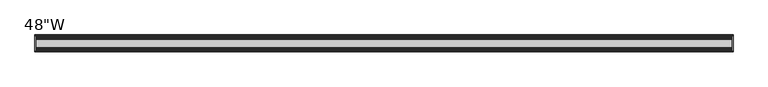
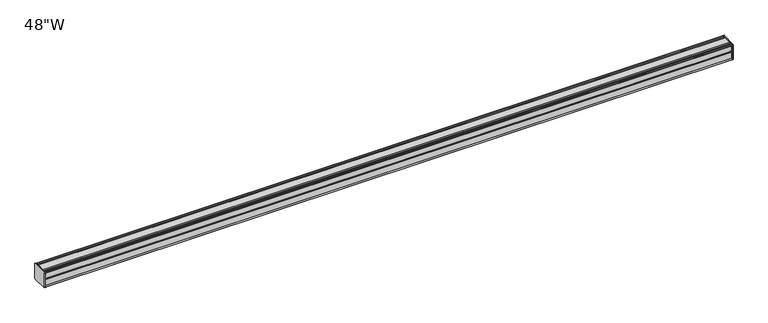
"""IFC4 building model written with IfcOpenShell, lengths in millimetres: furniture geometry."""

from ifc_helpers import new_model, si_unit, frame, origin, place, context, project, spatial, circle_curve, source, transform, mapped, element, save
from ifc_brep_helpers import plane_surface, cylinder_surface, advanced_brep


def furniture_a1786f17(model_context):
    return source(origin(), model_context, "Body", "AdvancedBrep", [
        advanced_brep(
        [(608.0125, 14.5851562, 1399.3436262), (608.0125, 14.5851562, 1373.1932877), (608.0125, 14.4138595, 1372.3873997), (608.0125, 13.8374434, 1371.8109837), (608.0125, 12.9019306, 1371.5603131), (608.0125, -13.4067434, 1371.5603131), (608.0125, -14.3040014, 1372.4575711), (608.0125, -14.5851563, 1373.2259798), (608.0125, -14.5851563, 1399.1443327), (608.0125, -14.3040014, 1399.9127414), (608.0125, -13.4464303, 1400.7703125), (608.0125, 13.0500437, 1400.7703125), (608.0125, 13.8374434, 1400.5593288), (608.0125, 14.4138595, 1399.9829128), (609.6, 14.6248431, 1399.1955131), (609.6, 14.4138595, 1399.9829128), (609.6, 13.8374434, 1400.5593288), (609.6, 13.0500437, 1400.7703125), (609.6, -13.4464303, 1400.7703125), (609.6, -14.3040014, 1399.9127414), (609.6, -14.5851563, 1399.1443327), (609.6, -14.5851563, 1373.2259798), (609.6, -14.3040014, 1372.4575711), (609.6, -13.4067434, 1371.5603131), (609.6, 12.9019306, 1371.5603131), (609.6, 13.8374434, 1371.8109837), (609.6, 14.4138595, 1372.3873997), (609.6, 14.5851562, 1373.1932877)],
        [
            (0, 1),
            (1, 2),
            (2, 3),
            (3, 4),
            (4, 5),
            (5, 6),
            (6, 7, circle_curve(frame((608.0125, -13.3945313, 1373.2259798), z_axis=(-1.0, 0.0, 0.0), x_axis=(0.0, 1.0, 0.0)), 1.190625)),
            (7, 8),
            (8, 9, circle_curve(frame((608.0125, -13.3945313, 1399.1443327), z_axis=(-1.0, 0.0, 0.0), x_axis=(0.0, 1.0, 0.0)), 1.190625)),
            (9, 10),
            (10, 11),
            (11, 12),
            (12, 13),
            (13, 0),
            (14, 15),
            (15, 16),
            (16, 17),
            (17, 18),
            (18, 19),
            (19, 20, circle_curve(frame((609.6, -13.3945313, 1399.1443327), z_axis=(1.0, 0.0, 0.0), x_axis=(0.0, 1.0, 0.0)), 1.190625)),
            (20, 21),
            (21, 22, circle_curve(frame((609.6, -13.3945313, 1373.2259798), z_axis=(1.0, 0.0, 0.0), x_axis=(0.0, 1.0, 0.0)), 1.190625)),
            (22, 23),
            (23, 24),
            (24, 25),
            (25, 26),
            (26, 27),
            (27, 14),
            (13, 15),
            (14, 0),
            (12, 16),
            (11, 17),
            (10, 18),
            (9, 19),
            (8, 20),
            (7, 21),
            (6, 22),
            (5, 23),
            (4, 24),
            (3, 25),
            (2, 26),
            (1, 27),
        ],
        [
            plane_surface(frame((608.0125, 14.5851562, 1373.1932877), z_axis=(-1.0, 0.0, 0.0), x_axis=(0.0, 0.0, -1.0))),
            plane_surface(frame((609.6, 14.5851562, 1373.1932877), z_axis=(1.0, 0.0, 0.0), x_axis=(0.0, 0.0, 1.0))),
            plane_surface(frame((608.0125, 14.4138595, 1399.9829128), z_axis=(0.0, 0.9659256560349851, 0.25881968049857335), x_axis=(1.0, 0.0, 0.0))),
            plane_surface(frame((608.0125, 13.8374434, 1400.5593288), z_axis=(0.0, 0.7071067811866345, 0.7071067811864606), x_axis=(1.0, 0.0, 0.0))),
            plane_surface(frame((608.0125, 13.0500437, 1400.7703125), z_axis=(0.0, 0.2588196804711877, 0.9659256560423232), x_axis=(1.0, 0.0, 0.0))),
            plane_surface(frame((608.0125, -13.4464303, 1400.7703125), z_axis=(0.0, 0.0, 1.0), x_axis=(1.0, 0.0, 0.0))),
            plane_surface(frame((608.0125, -14.3040014, 1399.9127414), z_axis=(0.0, -0.70710678117674, 0.7071067811963553), x_axis=(1.0, 0.0, 0.0))),
            cylinder_surface(frame((609.6, -13.3945313, 1399.1443327), z_axis=(-1.0, 0.0, 0.0), x_axis=(0.0, 1.0, 0.0)), 1.190625),
            plane_surface(frame((608.0125, -14.5851563, 1373.2259798), z_axis=(0.0, -1.0, 0.0), x_axis=(1.0, 0.0, 0.0))),
            cylinder_surface(frame((609.6, -13.3945313, 1373.2259798), z_axis=(-1.0, 0.0, 0.0), x_axis=(0.0, 1.0, 0.0)), 1.190625),
            plane_surface(frame((608.0125, -13.4067434, 1371.5603131), z_axis=(0.0, -0.7071067811916545, -0.7071067811814407), x_axis=(1.0, 0.0, 0.0))),
            plane_surface(frame((608.0125, 12.9019306, 1371.5603131), z_axis=(0.0, 0.0, -1.0), x_axis=(1.0, 0.0, 0.0))),
            plane_surface(frame((608.0125, 13.8374434, 1371.8109837), z_axis=(0.0, 0.2588196804985645, -0.9659256560349875), x_axis=(1.0, 0.0, 0.0))),
            plane_surface(frame((608.0125, 14.4138595, 1372.3873997), z_axis=(0.0, 0.7071067811865204, -0.7071067811865748), x_axis=(1.0, 0.0, 0.0))),
            plane_surface(frame((608.0125, 14.5851562, 1373.1932877), z_axis=(0.0, 0.9781476007310527, -0.207911690830711), x_axis=(1.0, 0.0, 0.0))),
            plane_surface(frame((608.0125, 14.5851562, 1399.3436262), z_axis=(0.0, 1.0, 0.0), x_axis=(1.0, 0.0, 0.0))),
        ],
        [
            (0, [[1, 2, 3, 4, 5, 6, 7, 8, 9, 10, 11, 12, 13, 14]]),
            (1, [[15, 16, 17, 18, 19, 20, 21, 22, 23, 24, 25, 26, 27, 28]]),
            (2, [[-14, 29, -15, 30]]),
            (3, [[-13, 31, -16, -29]]),
            (4, [[-12, 32, -17, -31]]),
            (5, [[-11, 33, -18, -32]]),
            (6, [[-10, 34, -19, -33]]),
            (7, [[-9, 35, -20, -34]]),
            (8, [[-8, 36, -21, -35]]),
            (9, [[-7, 37, -22, -36]]),
            (10, [[-6, 38, -23, -37]]),
            (11, [[-5, 39, -24, -38]]),
            (12, [[-4, 40, -25, -39]]),
            (13, [[-3, 41, -26, -40]]),
            (14, [[-2, 42, -27, -41]]),
            (15, [[-1, -30, -28, -42]]),
        ],
    ),
        advanced_brep(
        [(-608.0125, 14.6248431, 1399.1955131), (-608.0125, 14.4138595, 1399.9829128), (-608.0125, 13.8374434, 1400.5593288), (-608.0125, 13.0500437, 1400.7703125), (-608.0125, -13.4464303, 1400.7703125), (-608.0125, -14.3040014, 1399.9127414), (-608.0125, -14.5851563, 1399.1443327), (-608.0125, -14.5851563, 1373.2259798), (-608.0125, -14.3040014, 1372.4575711), (-608.0125, -13.4067434, 1371.5603131), (-608.0125, 12.9019306, 1371.5603131), (-608.0125, 13.8374434, 1371.8109837), (-608.0125, 14.4138595, 1372.3873997), (-608.0125, 14.5851562, 1373.1932877), (-609.6, 14.5851562, 1399.3436262), (-609.6, 14.5851562, 1373.1932877), (-609.6, 14.4138595, 1372.3873997), (-609.6, 13.8374434, 1371.8109837), (-609.6, 12.9019306, 1371.5603131), (-609.6, -13.4067434, 1371.5603131), (-609.6, -14.3040014, 1372.4575711), (-609.6, -14.5851563, 1373.2259798), (-609.6, -14.5851563, 1399.1443327), (-609.6, -14.3040014, 1399.9127414), (-609.6, -13.4464303, 1400.7703125), (-609.6, 13.0500437, 1400.7703125), (-609.6, 13.8374434, 1400.5593288), (-609.6, 14.4138595, 1399.9829128)],
        [
            (0, 1),
            (1, 2),
            (2, 3),
            (3, 4),
            (4, 5),
            (5, 6, circle_curve(frame((-608.0125, -13.3945313, 1399.1443327), z_axis=(1.0, 0.0, 0.0), x_axis=(0.0, 1.0, 0.0)), 1.190625)),
            (6, 7),
            (7, 8, circle_curve(frame((-608.0125, -13.3945313, 1373.2259798), z_axis=(1.0, 0.0, 0.0), x_axis=(0.0, 1.0, 0.0)), 1.190625)),
            (8, 9),
            (9, 10),
            (10, 11),
            (11, 12),
            (12, 13),
            (13, 0),
            (14, 15),
            (15, 16),
            (16, 17),
            (17, 18),
            (18, 19),
            (19, 20),
            (20, 21, circle_curve(frame((-609.6, -13.3945313, 1373.2259798), z_axis=(-1.0, 0.0, 0.0), x_axis=(0.0, 1.0, 0.0)), 1.190625)),
            (21, 22),
            (22, 23, circle_curve(frame((-609.6, -13.3945313, 1399.1443327), z_axis=(-1.0, 0.0, 0.0), x_axis=(0.0, 1.0, 0.0)), 1.190625)),
            (23, 24),
            (24, 25),
            (25, 26),
            (26, 27),
            (27, 14),
            (0, 14),
            (27, 1),
            (26, 2),
            (25, 3),
            (24, 4),
            (23, 5),
            (22, 6),
            (21, 7),
            (20, 8),
            (19, 9),
            (18, 10),
            (17, 11),
            (16, 12),
            (15, 13),
        ],
        [
            plane_surface(frame((-608.0125, 14.6248431, 1399.1955131), z_axis=(1.0, 0.0, 0.0), x_axis=(0.0, -0.2588196804456063, 0.9659256560491777))),
            plane_surface(frame((-609.6, 14.6248431, 1399.1955131), z_axis=(-1.0, 0.0, 0.0), x_axis=(0.0, 0.2588196804456063, -0.9659256560491777))),
            plane_surface(frame((-608.0125, 14.6248431, 1399.1955131), z_axis=(0.0, 0.9659256560491777, 0.2588196804456063), x_axis=(-1.0, 0.0, 0.0))),
            plane_surface(frame((-608.0125, 14.4138595, 1399.9829128), z_axis=(0.0, 0.7071067810807437, 0.7071067812923514), x_axis=(-1.0, 0.0, 0.0))),
            plane_surface(frame((-608.0125, 13.8374434, 1400.5593288), z_axis=(0.0, 0.2588196804854181, 0.9659256560385101), x_axis=(-1.0, 0.0, 0.0))),
            plane_surface(frame((-608.0125, 13.0500437, 1400.7703125), z_axis=(0.0, 0.0, 1.0), x_axis=(-1.0, 0.0, 0.0))),
            plane_surface(frame((-608.0125, -13.4464303, 1400.7703125), z_axis=(0.0, -0.7071067811880237, 0.7071067811850713), x_axis=(-1.0, 0.0, 0.0))),
            cylinder_surface(frame((-609.6, -13.3945313, 1399.1443327), z_axis=(1.0, 0.0, 0.0), x_axis=(0.0, 1.0, 0.0)), 1.190625),
            plane_surface(frame((-608.0125, -14.5851563, 1399.1443327), z_axis=(0.0, -1.0, 0.0), x_axis=(-1.0, 0.0, 0.0))),
            cylinder_surface(frame((-609.6, -13.3945313, 1373.2259798), z_axis=(1.0, 0.0, 0.0), x_axis=(0.0, 1.0, 0.0)), 1.190625),
            plane_surface(frame((-608.0125, -14.3040014, 1372.4575711), z_axis=(0.0, -0.707106781186535, -0.7071067811865601), x_axis=(-1.0, 0.0, 0.0))),
            plane_surface(frame((-608.0125, -13.4067434, 1371.5603131), z_axis=(0.0, 0.0, -1.0), x_axis=(-1.0, 0.0, 0.0))),
            plane_surface(frame((-608.0125, 12.9019306, 1371.5603131), z_axis=(0.0, 0.2588196804985645, -0.9659256560349875), x_axis=(-1.0, 0.0, 0.0))),
            plane_surface(frame((-608.0125, 13.8374434, 1371.8109837), z_axis=(0.0, 0.707106781186519, -0.7071067811865761), x_axis=(-1.0, 0.0, 0.0))),
            plane_surface(frame((-608.0125, 14.4138595, 1372.3873997), z_axis=(0.0, 0.9781476007317021, -0.20791169082765568), x_axis=(-1.0, 0.0, 0.0))),
            plane_surface(frame((-608.0125, 14.5851562, 1373.1932877), z_axis=(0.0, 1.0, 0.0), x_axis=(-1.0, 0.0, 0.0))),
        ],
        [
            (0, [[1, 2, 3, 4, 5, 6, 7, 8, 9, 10, 11, 12, 13, 14]]),
            (1, [[15, 16, 17, 18, 19, 20, 21, 22, 23, 24, 25, 26, 27, 28]]),
            (2, [[-1, 29, -28, 30]]),
            (3, [[-2, -30, -27, 31]]),
            (4, [[-3, -31, -26, 32]]),
            (5, [[-4, -32, -25, 33]]),
            (6, [[-5, -33, -24, 34]]),
            (7, [[-6, -34, -23, 35]]),
            (8, [[-7, -35, -22, 36]]),
            (9, [[-8, -36, -21, 37]]),
            (10, [[-9, -37, -20, 38]]),
            (11, [[-10, -38, -19, 39]]),
            (12, [[-11, -39, -18, 40]]),
            (13, [[-12, -40, -17, 41]]),
            (14, [[-13, -41, -16, 42]]),
            (15, [[-14, -42, -15, -29]]),
        ],
    ),
        advanced_brep(
        [(608.0125, -7.3748315, 1400.7703125), (608.0125, -8.9105708, 1399.7395796), (608.0125, -10.7601399, 1399.7395796), (608.0125, -12.2958792, 1400.7703125), (608.0125, -13.4464303, 1400.7703125), (608.0125, -14.3040014, 1399.9127414), (608.0125, -13.3945313, 1397.9537077), (608.0125, -13.3945313, 1398.865312), (608.0125, -12.2039063, 1398.865312), (608.0125, -12.2039063, 1386.9590632), (608.0125, -11.4101564, 1386.1653134), (608.0125, -12.2039063, 1385.3715636), (608.0125, -12.2039063, 1373.4653131), (608.0125, -13.3945313, 1373.4653131), (608.0125, -13.3945313, 1374.4166048), (608.0125, -14.3040014, 1372.4575711), (608.0125, -13.4067434, 1371.5603131), (608.0125, -12.2958792, 1371.5603131), (608.0125, -10.7601399, 1372.5910471), (608.0125, -8.9105708, 1372.5910471), (608.0125, -7.4339628, 1371.6), (608.0125, 7.4145184, 1371.6), (608.0125, 8.9502576, 1372.6307329), (608.0125, 10.7998291, 1372.6307329), (608.0125, 12.2275037, 1371.6), (608.0125, 13.0500437, 1371.6), (608.0125, 13.8374434, 1371.8109837), (608.0125, 14.4138595, 1372.3873997), (608.0125, 14.5851562, 1373.1932877), (608.0125, 14.5851562, 1399.3436262), (608.0125, 14.4138595, 1399.9829128), (608.0125, 13.8374434, 1400.5593288), (608.0125, 13.0500437, 1400.7703125), (608.0125, 12.2275037, 1400.7703125), (608.0125, 10.7998291, 1399.7395796), (608.0125, 8.9502576, 1399.7395796), (608.0125, 7.4145184, 1400.7703125), (-608.0125, -7.3748315, 1400.7703125), (-608.0125, 7.4145184, 1400.7703125), (-608.0125, 8.9502576, 1399.7395796), (-608.0125, 10.7998291, 1399.7395796), (-608.0125, 12.2275037, 1400.7703125), (-608.0125, 13.0500437, 1400.7703125), (-608.0125, 13.8374434, 1400.5593288), (-608.0125, 14.4138595, 1399.9829128), (-608.0125, 14.6248431, 1399.1955131), (-608.0125, 14.5851562, 1373.1932877), (-608.0125, 14.4138595, 1372.3873997), (-608.0125, 13.8374434, 1371.8109837), (-608.0125, 13.0500437, 1371.6), (-608.0125, 12.2275037, 1371.6), (-608.0125, 10.7998291, 1372.6307329), (-608.0125, 8.9502576, 1372.6307329), (-608.0125, 7.4145184, 1371.6), (-608.0125, -7.4339628, 1371.6), (-608.0125, -8.9105708, 1372.5910471), (-608.0125, -10.7601399, 1372.5910471), (-608.0125, -12.2958792, 1371.5603131), (-608.0125, -13.4067434, 1371.5603131), (-608.0125, -14.3040014, 1372.4575711), (-608.0125, -13.3945313, 1374.4166048), (-608.0125, -13.3945313, 1373.4653131), (-608.0125, -12.2039063, 1373.4653131), (-608.0125, -12.2039063, 1385.3715636), (-608.0125, -11.4101564, 1386.1653134), (-608.0125, -12.2039063, 1386.9590632), (-608.0125, -12.2039063, 1398.865312), (-608.0125, -13.3945313, 1398.865312), (-608.0125, -13.3945313, 1397.9537077), (-608.0125, -14.3040014, 1399.9127414), (-608.0125, -13.4464303, 1400.7703125), (-608.0125, -12.2958792, 1400.7703125), (-608.0125, -10.7601399, 1399.7395796), (-608.0125, -8.9105708, 1399.7395796)],
        [
            (0, 1),
            (1, 2),
            (2, 3),
            (3, 4),
            (4, 5),
            (5, 6, circle_curve(frame((608.0125, -13.3945313, 1399.1443327), z_axis=(1.0, 0.0, 0.0), x_axis=(0.0, 1.0, 0.0)), 1.190625)),
            (6, 7),
            (7, 8),
            (8, 9),
            (9, 10),
            (10, 11),
            (11, 12),
            (12, 13),
            (13, 14),
            (14, 15, circle_curve(frame((608.0125, -13.3945313, 1373.2259798), z_axis=(1.0, 0.0, 0.0), x_axis=(0.0, 1.0, 0.0)), 1.190625)),
            (15, 16),
            (16, 17),
            (17, 18),
            (18, 19),
            (19, 20),
            (20, 21),
            (21, 22),
            (22, 23),
            (23, 24),
            (24, 25),
            (25, 26),
            (26, 27),
            (27, 28),
            (28, 29),
            (29, 30),
            (30, 31),
            (31, 32),
            (32, 33),
            (33, 34),
            (34, 35),
            (35, 36),
            (36, 0),
            (37, 38),
            (38, 39),
            (39, 40),
            (40, 41),
            (41, 42),
            (42, 43),
            (43, 44),
            (44, 45),
            (45, 46),
            (46, 47),
            (47, 48),
            (48, 49),
            (49, 50),
            (50, 51),
            (51, 52),
            (52, 53),
            (53, 54),
            (54, 55),
            (55, 56),
            (56, 57),
            (57, 58),
            (58, 59),
            (59, 60, circle_curve(frame((-608.0125, -13.3945313, 1373.2259798), z_axis=(-1.0, 0.0, 0.0), x_axis=(0.0, 1.0, 0.0)), 1.190625)),
            (60, 61),
            (61, 62),
            (62, 63),
            (63, 64),
            (64, 65),
            (65, 66),
            (66, 67),
            (67, 68),
            (68, 69, circle_curve(frame((-608.0125, -13.3945313, 1399.1443327), z_axis=(-1.0, 0.0, 0.0), x_axis=(0.0, 1.0, 0.0)), 1.190625)),
            (69, 70),
            (70, 71),
            (71, 72),
            (72, 73),
            (73, 37),
            (0, 37),
            (73, 1),
            (72, 2),
            (71, 3),
            (70, 4),
            (69, 5),
            (68, 6),
            (67, 7),
            (66, 8),
            (65, 9),
            (64, 10),
            (63, 11),
            (62, 12),
            (61, 13),
            (60, 14),
            (59, 15),
            (58, 16),
            (57, 17),
            (56, 18),
            (55, 19),
            (54, 20),
            (53, 21),
            (52, 22),
            (51, 23),
            (50, 24),
            (49, 25),
            (48, 26),
            (47, 27),
            (46, 28),
            (45, 29),
            (44, 30),
            (43, 31),
            (42, 32),
            (41, 33),
            (40, 34),
            (39, 35),
            (38, 36),
        ],
        [
            plane_surface(frame((608.0125, -7.3748315, 1400.7703125), z_axis=(1.0, 0.0, 0.0), x_axis=(0.0, -0.8303227972600603, -0.5572827400433542))),
            plane_surface(frame((-608.0125, -7.3748315, 1400.7703125), z_axis=(-1.0, 0.0, 0.0), x_axis=(0.0, 0.8303227972600603, 0.5572827400433542))),
            plane_surface(frame((608.0125, -7.3748315, 1400.7703125), z_axis=(0.0, -0.5572827400433542, 0.8303227972600603), x_axis=(-1.0, 0.0, 0.0))),
            plane_surface(frame((608.0125, -8.9105708, 1399.7395796), z_axis=(0.0, 0.0, 1.0), x_axis=(-1.0, 0.0, 0.0))),
            plane_surface(frame((608.0125, -10.7601399, 1399.7395796), z_axis=(0.0, 0.5572827400433545, 0.8303227972600602), x_axis=(-1.0, 0.0, 0.0))),
            plane_surface(frame((608.0125, -12.2958792, 1400.7703125), z_axis=(0.0, 0.0, 1.0), x_axis=(-1.0, 0.0, 0.0))),
            plane_surface(frame((608.0125, -13.4464303, 1400.7703125), z_axis=(0.0, -0.7071067811817675, 0.7071067811913275), x_axis=(-1.0, 0.0, 0.0))),
            cylinder_surface(frame((-608.0125, -13.3945313, 1399.1443327), z_axis=(1.0, 0.0, 0.0), x_axis=(0.0, 1.0, 0.0)), 1.190625),
            plane_surface(frame((608.0125, -13.3945313, 1397.9537077), z_axis=(0.0, 1.0, 0.0), x_axis=(-1.0, 0.0, 0.0))),
            plane_surface(frame((608.0125, -13.3945313, 1398.865312), z_axis=(0.0, 0.0, -1.0), x_axis=(-1.0, 0.0, 0.0))),
            plane_surface(frame((608.0125, -12.2039063, 1398.865312), z_axis=(0.0, -1.0, 0.0), x_axis=(-1.0, 0.0, 0.0))),
            plane_surface(frame((608.0125, -12.2039063, 1386.9590632), z_axis=(0.0, -0.7071067811865146, -0.7071067811865805), x_axis=(-1.0, 0.0, 0.0))),
            plane_surface(frame((608.0125, -11.4101564, 1386.1653134), z_axis=(0.0, -0.7071067811865522, 0.7071067811865428), x_axis=(-1.0, 0.0, 0.0))),
            plane_surface(frame((608.0125, -12.2039063, 1385.3715636), z_axis=(0.0, -1.0, 0.0), x_axis=(-1.0, 0.0, 0.0))),
            plane_surface(frame((608.0125, -12.2039063, 1373.4653131), z_axis=(0.0, 0.0, 1.0), x_axis=(-1.0, 0.0, 0.0))),
            plane_surface(frame((608.0125, -13.3945313, 1373.4653131), z_axis=(0.0, 1.0, 0.0), x_axis=(-1.0, 0.0, 0.0))),
            cylinder_surface(frame((-608.0125, -13.3945313, 1373.2259798), z_axis=(1.0, 0.0, 0.0), x_axis=(0.0, 1.0, 0.0)), 1.190625),
            plane_surface(frame((608.0125, -14.3040014, 1372.4575711), z_axis=(0.0, -0.7071067811865884, -0.7071067811865067), x_axis=(-1.0, 0.0, 0.0))),
            plane_surface(frame((608.0125, -13.4067434, 1371.5603131), z_axis=(0.0, 0.0, -1.0), x_axis=(-1.0, 0.0, 0.0))),
            plane_surface(frame((608.0125, -12.2958792, 1371.5603131), z_axis=(0.0, 0.5572831632988446, -0.8303225131860712), x_axis=(-1.0, 0.0, 0.0))),
            plane_surface(frame((608.0125, -10.7601399, 1372.5910471), z_axis=(0.0, 0.0, -1.0), x_axis=(-1.0, 0.0, 0.0))),
            plane_surface(frame((608.0125, -8.9105708, 1372.5910471), z_axis=(0.0, -0.557283163303253, -0.8303225131831125), x_axis=(-1.0, 0.0, 0.0))),
            plane_surface(frame((608.0125, -7.4339628, 1371.6), z_axis=(0.0, 0.0, -1.0), x_axis=(-1.0, 0.0, 0.0))),
            plane_surface(frame((608.0125, 7.4145184, 1371.6), z_axis=(0.0, 0.5572827400518316, -0.8303227972543706), x_axis=(-1.0, 0.0, 0.0))),
            plane_surface(frame((608.0125, 8.9502576, 1372.6307329), z_axis=(0.0, 0.0, -1.0), x_axis=(-1.0, 0.0, 0.0))),
            plane_surface(frame((608.0125, 10.7998291, 1372.6307329), z_axis=(0.0, -0.5853541342124147, -0.8107777362264177), x_axis=(-1.0, 0.0, 0.0))),
            plane_surface(frame((608.0125, 12.2275037, 1371.6), z_axis=(0.0, 0.0, -1.0), x_axis=(-1.0, 0.0, 0.0))),
            plane_surface(frame((608.0125, 13.0500437, 1371.6), z_axis=(0.0, 0.2588196804985639, -0.9659256560349877), x_axis=(-1.0, 0.0, 0.0))),
            plane_surface(frame((608.0125, 13.8374434, 1371.8109837), z_axis=(0.0, 0.7071067811865592, -0.7071067811865358), x_axis=(-1.0, 0.0, 0.0))),
            plane_surface(frame((608.0125, 14.4138595, 1372.3873997), z_axis=(0.0, 0.9781476007317023, -0.20791169082765515), x_axis=(-1.0, 0.0, 0.0))),
            plane_surface(frame((608.0125, 14.5851562, 1373.1932877), z_axis=(0.0, 1.0, 0.0), x_axis=(-1.0, 0.0, 0.0))),
            plane_surface(frame((608.0125, 14.6248431, 1399.1955131), z_axis=(0.0, 0.9659256560492666, 0.25881968044527454), x_axis=(-1.0, 0.0, 0.0))),
            plane_surface(frame((608.0125, 14.4138595, 1399.9829128), z_axis=(0.0, 0.707106781079946, 0.7071067812931492), x_axis=(-1.0, 0.0, 0.0))),
            plane_surface(frame((608.0125, 13.8374434, 1400.5593288), z_axis=(0.0, 0.25881968048555026, 0.9659256560384747), x_axis=(-1.0, 0.0, 0.0))),
            plane_surface(frame((608.0125, 13.0500437, 1400.7703125), z_axis=(0.0, 0.0, 1.0), x_axis=(-1.0, 0.0, 0.0))),
            plane_surface(frame((608.0125, 12.2275037, 1400.7703125), z_axis=(0.0, -0.5853541342081701, 0.8107777362294821), x_axis=(-1.0, 0.0, 0.0))),
            plane_surface(frame((608.0125, 10.7998291, 1399.7395796), z_axis=(0.0, 0.0, 1.0), x_axis=(-1.0, 0.0, 0.0))),
            plane_surface(frame((608.0125, 8.9502576, 1399.7395796), z_axis=(0.0, 0.5572827400433545, 0.8303227972600602), x_axis=(-1.0, 0.0, 0.0))),
            plane_surface(frame((608.0125, 7.4145184, 1400.7703125), z_axis=(0.0, 0.0, 1.0), x_axis=(-1.0, 0.0, 0.0))),
        ],
        [
            (0, [[1, 2, 3, 4, 5, 6, 7, 8, 9, 10, 11, 12, 13, 14, 15, 16, 17, 18, 19, 20, 21, 22, 23, 24, 25, 26, 27, 28, 29, 30, 31, 32, 33, 34, 35, 36, 37]]),
            (1, [[38, 39, 40, 41, 42, 43, 44, 45, 46, 47, 48, 49, 50, 51, 52, 53, 54, 55, 56, 57, 58, 59, 60, 61, 62, 63, 64, 65, 66, 67, 68, 69, 70, 71, 72, 73, 74]]),
            (2, [[-1, 75, -74, 76]]),
            (3, [[-2, -76, -73, 77]]),
            (4, [[-3, -77, -72, 78]]),
            (5, [[-4, -78, -71, 79]]),
            (6, [[-5, -79, -70, 80]]),
            (7, [[-6, -80, -69, 81]]),
            (8, [[-7, -81, -68, 82]]),
            (9, [[-8, -82, -67, 83]]),
            (10, [[-9, -83, -66, 84]]),
            (11, [[-10, -84, -65, 85]]),
            (12, [[-11, -85, -64, 86]]),
            (13, [[-12, -86, -63, 87]]),
            (14, [[-13, -87, -62, 88]]),
            (15, [[-14, -88, -61, 89]]),
            (16, [[-15, -89, -60, 90]]),
            (17, [[-16, -90, -59, 91]]),
            (18, [[-17, -91, -58, 92]]),
            (19, [[-18, -92, -57, 93]]),
            (20, [[-19, -93, -56, 94]]),
            (21, [[-20, -94, -55, 95]]),
            (22, [[-21, -95, -54, 96]]),
            (23, [[-22, -96, -53, 97]]),
            (24, [[-23, -97, -52, 98]]),
            (25, [[-24, -98, -51, 99]]),
            (26, [[-25, -99, -50, 100]]),
            (27, [[-26, -100, -49, 101]]),
            (28, [[-27, -101, -48, 102]]),
            (29, [[-28, -102, -47, 103]]),
            (30, [[-29, -103, -46, 104]]),
            (31, [[-30, -104, -45, 105]]),
            (32, [[-31, -105, -44, 106]]),
            (33, [[-32, -106, -43, 107]]),
            (34, [[-33, -107, -42, 108]]),
            (35, [[-34, -108, -41, 109]]),
            (36, [[-35, -109, -40, 110]]),
            (37, [[-36, -110, -39, 111]]),
            (38, [[-37, -111, -38, -75]]),
        ],
    ),
    ])


if __name__ == "__main__":
    model = new_model("IFC4")
    model_context = context("Model", 3, world=origin())
    ifc_project = project(units=[si_unit("LENGTHUNIT", "METRE", prefix="MILLI")], contexts=[model_context])
    site = spatial("IfcSite", under=ifc_project)
    building = spatial("IfcBuilding", under=site)
    placement = place(None, origin())
    furniture_shape = furniture_a1786f17(model_context)
    element("IfcFurniture", 1, ObjectType="48\"W", at=placement, inside=building, context=model_context, shape_type="MappedRepresentation", body=[
        mapped(furniture_shape, transform((0.0, 0.0, 0.0), x_axis=(1.0, 0.0, 0.0), y_axis=(0.0, 1.0, 0.0), z_axis=(0.0, 0.0, 1.0))),
    ])
    save(model, "model.ifc")
